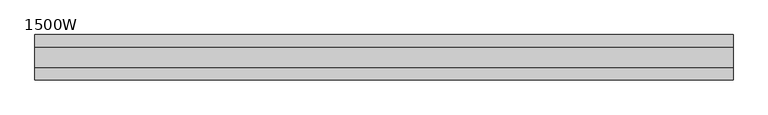
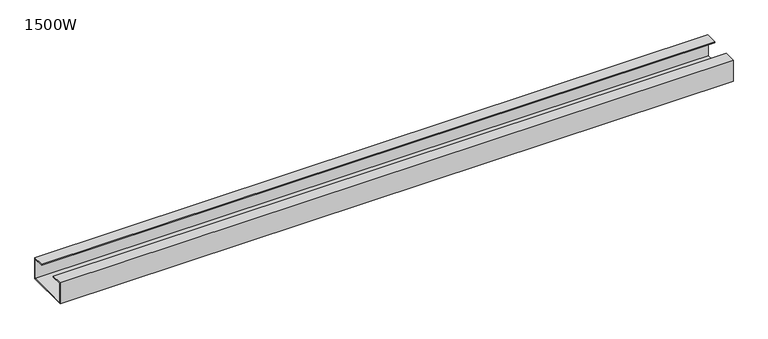
"""IFC4 building model written with IfcOpenShell, lengths in millimetres: furniture geometry, 1500W."""

from ifc_helpers import new_model, si_unit, frame, origin, place, context, project, spatial, polyline, outline, extrude, source, transform, mapped, element, save


def furniture_1500w_3846c1d0(model_context):
    return source(origin(), model_context, "Body", "SweptSolid", [
        extrude(outline(polyline([(47.3, 665.0), (-47.3, 665.0), (-47.3, 713.0), (-22.0, 713.0), (-22.0, 711.0), (-45.3, 711.0), (-45.3, 667.0), (45.3, 667.0), (45.3, 711.0), (22.0, 711.0), (22.0, 713.0), (47.3, 713.0), (47.3, 665.0)])), frame((-725.0, 0.0, 0.0), z_axis=(1.0, 0.0, 0.0), x_axis=(0.0, 1.0, 0.0)), (0.0, 0.0, 1.0), 1450.0),
    ])


if __name__ == "__main__":
    model = new_model("IFC4")
    model_context = context("Model", 3, world=origin())
    ifc_project = project(units=[si_unit("LENGTHUNIT", "METRE", prefix="MILLI")], contexts=[model_context])
    site = spatial("IfcSite", under=ifc_project)
    building = spatial("IfcBuilding", under=site)
    placement = place(None, origin())
    furniture_1500w_shape = furniture_1500w_3846c1d0(model_context)
    element("IfcFurniture", 1, ObjectType="1500W", at=placement, inside=building, context=model_context, shape_type="MappedRepresentation", body=[
        mapped(furniture_1500w_shape, transform((0.0, 0.0, 0.0), x_axis=(1.0, 0.0, 0.0), y_axis=(0.0, 1.0, 0.0), z_axis=(0.0, 0.0, 1.0))),
    ])
    save(model, "model.ifc")
